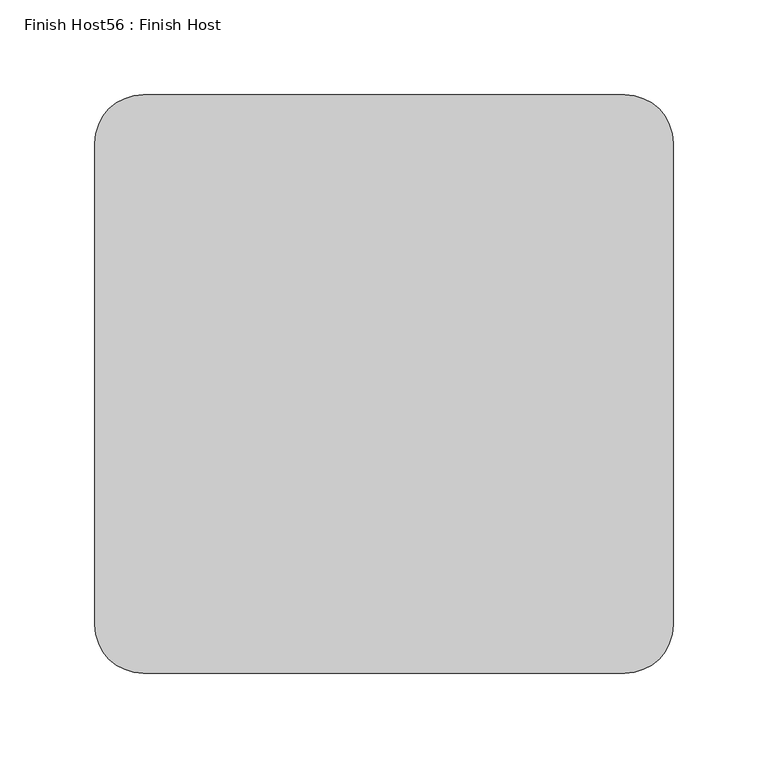
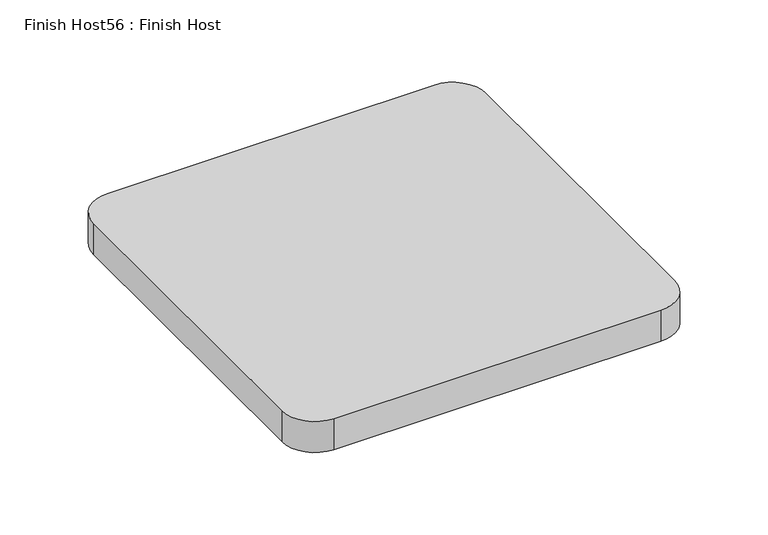
"""IFC4 building model written with IfcOpenShell, lengths in millimetres: proxy geometry, Finish Host56 : Finish Host."""

from ifc_helpers import new_model, si_unit, point, frame_2d, origin, origin_with_axes, place, context, project, spatial, polyline, circle_curve, trimmed, segment, composite_curve, outline, extrude, source, transform, mapped, element, save


def finish_host56_finish_host_a154b918(model_context):
    return source(origin(), model_context, "Body", "SweptSolid", [
        extrude(outline(composite_curve([segment(polyline([(1546.6934426, 546.4122951), (1546.6934426, 800.4122951)]), True, "CONTINUOUS"), segment(trimmed(circle_curve(frame_2d((1572.0934426, 800.4122951)), 25.4), [point((1546.6934426, 800.4122951))], [point((1572.0934426, 825.8122951))], False, "CARTESIAN"), True, "CONTINUOUS"), segment(polyline([(1572.0934426, 825.8122951), (1826.0934426, 825.8122951)]), True, "CONTINUOUS"), segment(trimmed(circle_curve(frame_2d((1826.0934426, 800.4122951)), 25.4), [point((1826.0934426, 825.8122951))], [point((1851.4934426, 800.4122951))], False, "CARTESIAN"), True, "CONTINUOUS"), segment(polyline([(1851.4934426, 800.4122951), (1851.4934426, 546.4122951)]), True, "CONTINUOUS"), segment(trimmed(circle_curve(frame_2d((1826.0934426, 546.4122951)), 25.4), [point((1851.4934426, 546.4122951))], [point((1826.0934426, 521.0122951))], False, "CARTESIAN"), True, "CONTINUOUS"), segment(polyline([(1826.0934426, 521.0122951), (1572.0934426, 521.0122951)]), True, "CONTINUOUS"), segment(trimmed(circle_curve(frame_2d((1572.0934426, 546.4122951)), 25.4), [point((1572.0934426, 521.0122951))], [point((1546.6934426, 546.4122951))], False, "CARTESIAN"), True, "CONTINUOUS")], self_intersect=False)), origin_with_axes(), (0.0, 0.0, 1.0), 25.4),
    ])


if __name__ == "__main__":
    model = new_model("IFC4")
    model_context = context("Model", 3, world=origin())
    ifc_project = project(units=[si_unit("LENGTHUNIT", "METRE", prefix="MILLI")], contexts=[model_context])
    site = spatial("IfcSite", under=ifc_project)
    building = spatial("IfcBuilding", under=site)
    placement = place(None, origin())
    finish_host56_finish_host_shape = finish_host56_finish_host_a154b918(model_context)
    element("IfcBuildingElementProxy", 1, Name="Finish Host56 : Finish Host", ObjectType="Finish Host56 : Finish Host", at=placement, inside=building, context=model_context, shape_type="MappedRepresentation", body=[
        mapped(finish_host56_finish_host_shape, transform((0.0, 0.0, 0.0), x_axis=(1.0, 0.0, 0.0), y_axis=(0.0, 1.0, 0.0), z_axis=(0.0, 0.0, 1.0))),
    ])
    save(model, "model.ifc")
